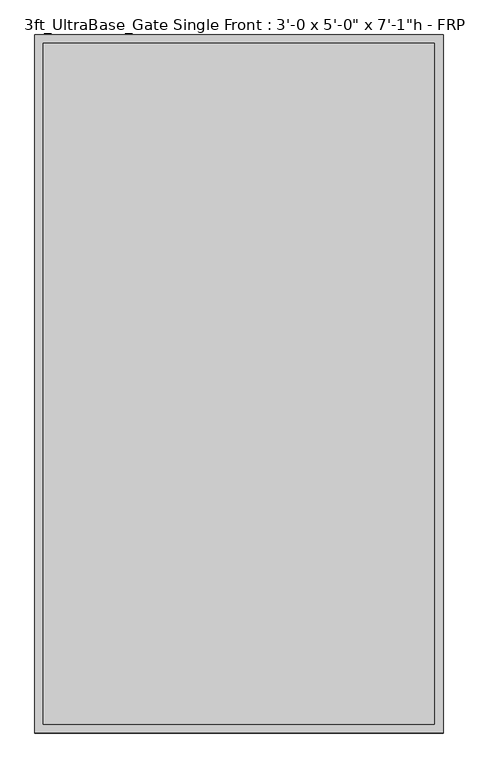
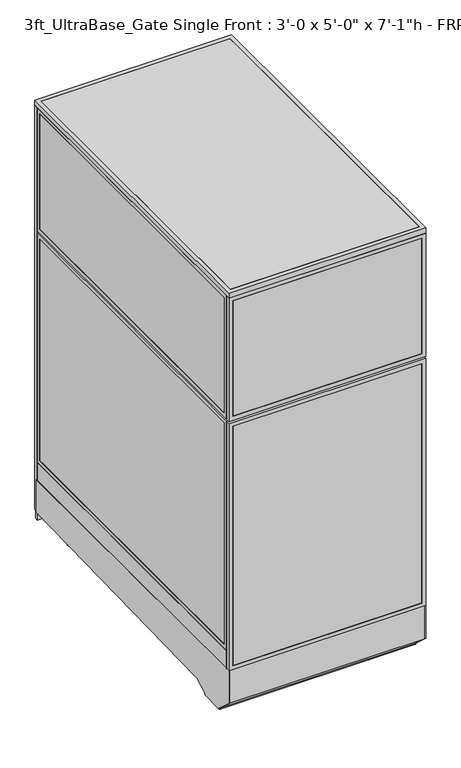
"""IFC4 building model written with IfcOpenShell, lengths in millimetres: proxy geometry."""

from ifc_helpers import new_model, si_unit, point, frame, frame_2d, origin, origin_with_axes, place, context, project, spatial, polyline, circle_curve, trimmed, segment, composite_curve, outline, extrude, source, transform, mapped, element, save


def proxy_ca9f2538(model_context):
    return source(origin(), model_context, "Body", "SweptSolid", [
        extrude(outline(composite_curve([segment(trimmed(circle_curve(frame_2d((121.1505315, 350.6380208)), 38.1), [point((83.0505315, 350.6380208))], [point((159.2505315, 350.6380208))], False, "CARTESIAN"), True, "CONTINUOUS"), segment(trimmed(circle_curve(frame_2d((121.1505315, 350.6380208)), 38.1), [point((159.2505315, 350.6380208))], [point((83.0505315, 350.6380208))], False, "CARTESIAN"), True, "CONTINUOUS")], self_intersect=False)), frame((0.0, 0.0, 103.9931848), z_axis=(0.0, 0.0, 1.0), x_axis=(1.0, 0.0, 0.0)), (0.0, 0.0, 1.0), 12.9784433),
        extrude(outline(composite_curve([segment(trimmed(circle_curve(frame_2d((121.1505315, 350.6380208)), 12.7), [point((108.4505315, 350.6380208))], [point((133.8505315, 350.6380208))], False, "CARTESIAN"), True, "CONTINUOUS"), segment(trimmed(circle_curve(frame_2d((121.1505315, 350.6380208)), 12.7), [point((133.8505315, 350.6380208))], [point((108.4505315, 350.6380208))], False, "CARTESIAN"), True, "CONTINUOUS")], self_intersect=False)), frame((0.0, 0.0, 6.35), z_axis=(0.0, 0.0, 1.0), x_axis=(1.0, 0.0, 0.0)), (0.0, 0.0, 1.0), 97.6431848),
        extrude(outline(composite_curve([segment(trimmed(circle_curve(frame_2d((121.1505315, 350.6380208)), 25.4), [point((95.7505315, 350.6380208))], [point((146.5505315, 350.6380208))], False, "CARTESIAN"), True, "CONTINUOUS"), segment(trimmed(circle_curve(frame_2d((121.1505315, 350.6380208)), 25.4), [point((146.5505315, 350.6380208))], [point((95.7505315, 350.6380208))], False, "CARTESIAN"), True, "CONTINUOUS")], self_intersect=False)), origin_with_axes(), (0.0, 0.0, 1.0), 6.35),
        extrude(outline(composite_curve([segment(trimmed(circle_curve(frame_2d((806.9505315, 350.6380208)), 38.1), [point((768.8505315, 350.6380208))], [point((845.0505315, 350.6380208))], False, "CARTESIAN"), True, "CONTINUOUS"), segment(trimmed(circle_curve(frame_2d((806.9505315, 350.6380208)), 38.1), [point((845.0505315, 350.6380208))], [point((768.8505315, 350.6380208))], False, "CARTESIAN"), True, "CONTINUOUS")], self_intersect=False)), frame((0.0, 0.0, 103.9931848), z_axis=(0.0, 0.0, 1.0), x_axis=(1.0, 0.0, 0.0)), (0.0, 0.0, 1.0), 12.9784433),
        extrude(outline(composite_curve([segment(trimmed(circle_curve(frame_2d((806.9505315, 350.6380208)), 12.7), [point((794.2505315, 350.6380208))], [point((819.6505315, 350.6380208))], False, "CARTESIAN"), True, "CONTINUOUS"), segment(trimmed(circle_curve(frame_2d((806.9505315, 350.6380208)), 12.7), [point((819.6505315, 350.6380208))], [point((794.2505315, 350.6380208))], False, "CARTESIAN"), True, "CONTINUOUS")], self_intersect=False)), frame((0.0, 0.0, 6.35), z_axis=(0.0, 0.0, 1.0), x_axis=(1.0, 0.0, 0.0)), (0.0, 0.0, 1.0), 97.6431848),
        extrude(outline(composite_curve([segment(trimmed(circle_curve(frame_2d((806.9505315, 350.6380208)), 25.4), [point((781.5505315, 350.6380208))], [point((832.3505315, 350.6380208))], False, "CARTESIAN"), True, "CONTINUOUS"), segment(trimmed(circle_curve(frame_2d((806.9505315, 350.6380208)), 25.4), [point((832.3505315, 350.6380208))], [point((781.5505315, 350.6380208))], False, "CARTESIAN"), True, "CONTINUOUS")], self_intersect=False)), origin_with_axes(), (0.0, 0.0, 1.0), 6.35),
        extrude(outline(composite_curve([segment(trimmed(circle_curve(frame_2d((120.4666548, 1441.532592)), 38.1), [point((82.3666548, 1441.532592))], [point((158.5666548, 1441.532592))], False, "CARTESIAN"), True, "CONTINUOUS"), segment(trimmed(circle_curve(frame_2d((120.4666548, 1441.532592)), 38.1), [point((158.5666548, 1441.532592))], [point((82.3666548, 1441.532592))], False, "CARTESIAN"), True, "CONTINUOUS")], self_intersect=False)), frame((0.0, 0.0, 135.7431848), z_axis=(0.0, 0.0, 1.0), x_axis=(1.0, 0.0, 0.0)), (0.0, 0.0, 1.0), 12.9784433),
        extrude(outline(composite_curve([segment(trimmed(circle_curve(frame_2d((120.4666548, 1441.532592)), 12.7), [point((107.7666548, 1441.532592))], [point((133.1666548, 1441.532592))], False, "CARTESIAN"), True, "CONTINUOUS"), segment(trimmed(circle_curve(frame_2d((120.4666548, 1441.532592)), 12.7), [point((133.1666548, 1441.532592))], [point((107.7666548, 1441.532592))], False, "CARTESIAN"), True, "CONTINUOUS")], self_intersect=False)), frame((0.0, 0.0, 6.35), z_axis=(0.0, 0.0, 1.0), x_axis=(1.0, 0.0, 0.0)), (0.0, 0.0, 1.0), 129.3931848),
        extrude(outline(composite_curve([segment(trimmed(circle_curve(frame_2d((120.4666548, 1441.532592)), 25.4), [point((95.0666548, 1441.532592))], [point((145.8666548, 1441.532592))], False, "CARTESIAN"), True, "CONTINUOUS"), segment(trimmed(circle_curve(frame_2d((120.4666548, 1441.532592)), 25.4), [point((145.8666548, 1441.532592))], [point((95.0666548, 1441.532592))], False, "CARTESIAN"), True, "CONTINUOUS")], self_intersect=False)), origin_with_axes(), (0.0, 0.0, 1.0), 6.35),
        extrude(outline(composite_curve([segment(trimmed(circle_curve(frame_2d((806.2666548, 1441.532592)), 38.1), [point((768.1666548, 1441.532592))], [point((844.3666548, 1441.532592))], False, "CARTESIAN"), True, "CONTINUOUS"), segment(trimmed(circle_curve(frame_2d((806.2666548, 1441.532592)), 38.1), [point((844.3666548, 1441.532592))], [point((768.1666548, 1441.532592))], False, "CARTESIAN"), True, "CONTINUOUS")], self_intersect=False)), frame((0.0, 0.0, 135.7431848), z_axis=(0.0, 0.0, 1.0), x_axis=(1.0, 0.0, 0.0)), (0.0, 0.0, 1.0), 12.9784433),
        extrude(outline(composite_curve([segment(trimmed(circle_curve(frame_2d((806.2666548, 1441.532592)), 12.7), [point((793.5666548, 1441.532592))], [point((818.9666548, 1441.532592))], False, "CARTESIAN"), True, "CONTINUOUS"), segment(trimmed(circle_curve(frame_2d((806.2666548, 1441.532592)), 12.7), [point((818.9666548, 1441.532592))], [point((793.5666548, 1441.532592))], False, "CARTESIAN"), True, "CONTINUOUS")], self_intersect=False)), frame((0.0, 0.0, 6.35), z_axis=(0.0, 0.0, 1.0), x_axis=(1.0, 0.0, 0.0)), (0.0, 0.0, 1.0), 129.3931848),
        extrude(outline(composite_curve([segment(trimmed(circle_curve(frame_2d((806.2666548, 1441.532592)), 25.4), [point((780.8666548, 1441.532592))], [point((831.6666548, 1441.532592))], False, "CARTESIAN"), True, "CONTINUOUS"), segment(trimmed(circle_curve(frame_2d((806.2666548, 1441.532592)), 25.4), [point((831.6666548, 1441.532592))], [point((780.8666548, 1441.532592))], False, "CARTESIAN"), True, "CONTINUOUS")], self_intersect=False)), origin_with_axes(), (0.0, 0.0, 1.0), 6.35),
        extrude(outline(polyline([(-19.05, 304.8), (1530.35, 304.8), (1530.35, 144.6534225), (238.733612, 113.4956461), (175.3928625, 76.9258473), (175.3928625, 69.0977369), (59.8970382, 69.0977369), (59.8970382, 73.3553835), (-19.05, 144.439616), (-19.05, 304.8)])), frame((0.0, 0.0, 0.0), z_axis=(1.0, 0.0, 0.0), x_axis=(0.0, 1.0, 0.0)), (0.0, 0.0, 1.0), 3.175),
        extrude(outline(polyline([(-19.05, 304.8), (1530.35, 304.8), (1530.35, 144.6534225), (238.733612, 113.4956461), (175.3928625, 76.9258473), (175.3928625, 69.0977369), (59.8970382, 69.0977369), (59.8970382, 73.3553835), (-19.05, 144.439616), (-19.05, 304.8)])), frame((911.225, 0.0, 0.0), z_axis=(1.0, 0.0, 0.0), x_axis=(0.0, 1.0, 0.0)), (0.0, 0.0, 1.0), 3.175),
        extrude(outline(polyline([(1530.35, 104.78262), (1530.35, 144.7169051), (238.733612, 113.4956461), (175.3928625, 76.9258473), (175.3928625, 69.0977369), (59.8970382, 69.0977369), (59.8970382, 73.3553835), (-19.05, 144.439616), (-19.05, 304.8), (-10.9434074, 304.8), (-10.9434074, 236.4996867), (-5.6766373, 236.4996867), (-2.6025146, 148.4683295), (68.18203, 84.7336392), (68.18203, 79.4164869), (167.804636, 79.4164869), (167.804636, 86.088281), (237.0845322, 126.0870477), (1543.05, 157.7730306), (1543.05, 104.78262), (1530.35, 104.78262)])), frame((3.175, 0.0, 0.0), z_axis=(1.0, 0.0, 0.0), x_axis=(0.0, 1.0, 0.0)), (0.0, 0.0, 1.0), 908.05),
        extrude(outline(polyline([(60.3189838, 1541.4625), (854.0810162, 1541.4625), (854.0810162, 1525.5875), (60.3189838, 1525.5875), (60.3189838, 1541.4625)])), frame((0.0, 0.0, 212.725), z_axis=(0.0, 0.0, 1.0), x_axis=(1.0, 0.0, 0.0)), (0.0, 0.0, 1.0), 1860.55),
        extrude(outline(polyline([(193.675, 41.2689838), (193.675, 873.1310162), (2092.325, 873.1310162), (2092.325, 41.2689838), (193.675, 41.2689838)]), holes=[polyline([(2073.275, 854.0810162), (212.725, 854.0810162), (212.725, 60.3189838), (2073.275, 60.3189838), (2073.275, 854.0810162)])]), frame((0.0, 1524.0, 0.0), z_axis=(0.0, 1.0, 0.0), x_axis=(0.0, 0.0, 1.0)), (0.0, 0.0, 1.0), 19.05),
        extrude(outline(polyline([(152.4, 0.0), (152.4, 914.4), (2133.6, 914.4), (2133.6, 0.0), (152.4, 0.0)]), holes=[polyline([(2114.55, 19.05), (2114.55, 895.35), (171.45, 895.35), (171.45, 19.05), (2114.55, 19.05)])]), frame((0.0, 1524.0, 0.0), z_axis=(0.0, 1.0, 0.0), x_axis=(0.0, 0.0, 1.0)), (0.0, 0.0, 1.0), 19.05),
        extrude(outline(polyline([(1519.2375, 914.4), (1519.2375, 0.0), (304.8, 0.0), (304.8, 914.4), (1519.2375, 914.4)]), holes=[polyline([(323.85, 895.35), (323.85, 19.05), (1500.1875, 19.05), (1500.1875, 895.35), (323.85, 895.35)])]), frame((0.0, -19.05, 0.0), z_axis=(0.0, 1.0, 0.0), x_axis=(0.0, 0.0, 1.0)), (0.0, 0.0, 1.0), 19.05),
        extrude(outline(polyline([(1528.7625, 914.4), (2133.6, 914.4), (2133.6, 0.0), (1528.7625, 0.0), (1528.7625, 914.4)]), holes=[polyline([(2114.55, 895.35), (1547.8125, 895.35), (1547.8125, 19.05), (2114.55, 19.05), (2114.55, 895.35)])]), frame((0.0, -19.05, 0.0), z_axis=(0.0, 1.0, 0.0), x_axis=(0.0, 0.0, 1.0)), (0.0, 0.0, 1.0), 19.05),
        extrude(outline(polyline([(895.35, -17.4625), (19.05, -17.4625), (19.05, -1.5875), (895.35, -1.5875), (895.35, -17.4625)])), frame((0.0, 0.0, 323.85), z_axis=(0.0, 0.0, 1.0), x_axis=(1.0, 0.0, 0.0)), (0.0, 0.0, 1.0), 1176.3375),
        extrude(outline(polyline([(895.35, -17.4625), (19.05, -17.4625), (19.05, -1.5875), (895.35, -1.5875), (895.35, -17.4625)])), frame((0.0, 0.0, 1547.8125), z_axis=(0.0, 0.0, 1.0), x_axis=(1.0, 0.0, 0.0)), (0.0, 0.0, 1.0), 566.7375),
        extrude(outline(polyline([(895.35, 0.0), (895.35, 1524.0), (914.4, 1524.0), (914.4, 0.0), (895.35, 0.0)])), frame((0.0, 0.0, 304.8), z_axis=(0.0, 0.0, 1.0), x_axis=(1.0, 0.0, 0.0)), (0.0, 0.0, 1.0), 88.9),
        extrude(outline(polyline([(1524.0, 393.7), (0.0, 393.7), (0.0, 1519.2375), (1524.0, 1519.2375), (1524.0, 393.7)]), holes=[polyline([(1504.95, 1500.1875), (19.05, 1500.1875), (19.05, 412.75), (1504.95, 412.75), (1504.95, 1500.1875)])]), frame((895.35, 0.0, 0.0), z_axis=(1.0, 0.0, 0.0), x_axis=(0.0, 1.0, 0.0)), (0.0, 0.0, 1.0), 19.05),
        extrude(outline(polyline([(0.0, 1528.7625), (0.0, 2133.6), (1524.0, 2133.6), (1524.0, 1528.7625), (0.0, 1528.7625)]), holes=[polyline([(19.05, 2114.55), (19.05, 1547.8125), (1504.95, 1547.8125), (1504.95, 2114.55), (19.05, 2114.55)])]), frame((895.35, 0.0, 0.0), z_axis=(1.0, 0.0, 0.0), x_axis=(0.0, 1.0, 0.0)), (0.0, 0.0, 1.0), 19.05),
        extrude(outline(polyline([(896.9375, 19.05), (896.9375, 1504.95), (912.8125, 1504.95), (912.8125, 19.05), (896.9375, 19.05)])), frame((0.0, 0.0, 412.75), z_axis=(0.0, 0.0, 1.0), x_axis=(1.0, 0.0, 0.0)), (0.0, 0.0, 1.0), 1087.4375),
        extrude(outline(polyline([(896.9375, 19.05), (896.9375, 1504.95), (912.8125, 1504.95), (912.8125, 19.05), (896.9375, 19.05)])), frame((0.0, 0.0, 1547.8125), z_axis=(0.0, 0.0, 1.0), x_axis=(1.0, 0.0, 0.0)), (0.0, 0.0, 1.0), 566.7375),
        extrude(outline(polyline([(0.0, 0.0), (0.0, 1524.0), (19.05, 1524.0), (19.05, 0.0), (0.0, 0.0)])), frame((0.0, 0.0, 304.8), z_axis=(0.0, 0.0, 1.0), x_axis=(1.0, 0.0, 0.0)), (0.0, 0.0, 1.0), 88.9),
        extrude(outline(polyline([(1524.0, 393.7), (0.0, 393.7), (0.0, 1519.2375), (1524.0, 1519.2375), (1524.0, 393.7)]), holes=[polyline([(1504.95, 1500.1875), (19.05, 1500.1875), (19.05, 412.75), (1504.95, 412.75), (1504.95, 1500.1875)])]), frame((0.0, 0.0, 0.0), z_axis=(1.0, 0.0, 0.0), x_axis=(0.0, 1.0, 0.0)), (0.0, 0.0, 1.0), 19.05),
        extrude(outline(polyline([(0.0, 1528.7625), (0.0, 2133.6), (1524.0, 2133.6), (1524.0, 1528.7625), (0.0, 1528.7625)]), holes=[polyline([(19.05, 2114.55), (19.05, 1547.8125), (1504.95, 1547.8125), (1504.95, 2114.55), (19.05, 2114.55)])]), frame((0.0, 0.0, 0.0), z_axis=(1.0, 0.0, 0.0), x_axis=(0.0, 1.0, 0.0)), (0.0, 0.0, 1.0), 19.05),
        extrude(outline(polyline([(1.5875, 19.05), (1.5875, 1504.95), (17.4625, 1504.95), (17.4625, 19.05), (1.5875, 19.05)])), frame((0.0, 0.0, 412.75), z_axis=(0.0, 0.0, 1.0), x_axis=(1.0, 0.0, 0.0)), (0.0, 0.0, 1.0), 1087.4375),
        extrude(outline(polyline([(1.5875, 19.05), (1.5875, 1504.95), (17.4625, 1504.95), (17.4625, 19.05), (1.5875, 19.05)])), frame((0.0, 0.0, 1547.8125), z_axis=(0.0, 0.0, 1.0), x_axis=(1.0, 0.0, 0.0)), (0.0, 0.0, 1.0), 566.7375),
        extrude(outline(polyline([(882.65, 622.3), (882.65, 609.6), (31.75, 609.6), (31.75, 622.3), (882.65, 622.3)])), frame((0.0, 0.0, 152.4), z_axis=(0.0, 0.0, 1.0), x_axis=(1.0, 0.0, 0.0)), (0.0, 0.0, 1.0), 152.4),
        extrude(outline(polyline([(882.65, 622.3), (882.65, 12.7), (31.75, 12.7), (31.75, 622.3), (882.65, 622.3)])), frame((0.0, 0.0, 304.8), z_axis=(0.0, 0.0, 1.0), x_axis=(1.0, 0.0, 0.0)), (0.0, 0.0, 1.0), 12.7),
        extrude(outline(polyline([(0.0, -19.05), (0.0, 1543.05), (914.4, 1543.05), (914.4, -19.05), (0.0, -19.05)]), holes=[polyline([(19.05, 0.0), (895.35, 0.0), (895.35, 1524.0), (19.05, 1524.0), (19.05, 0.0)])]), frame((0.0, 0.0, 2133.6), z_axis=(0.0, 0.0, 1.0), x_axis=(1.0, 0.0, 0.0)), (0.0, 0.0, 1.0), 25.4),
        extrude(outline(polyline([(895.35, 1524.0), (895.35, 0.0), (19.05, 0.0), (19.05, 1524.0), (895.35, 1524.0)])), frame((0.0, 0.0, 2133.6), z_axis=(0.0, 0.0, 1.0), x_axis=(1.0, 0.0, 0.0)), (0.0, 0.0, 1.0), 25.4),
    ])


if __name__ == "__main__":
    model = new_model("IFC4")
    model_context = context("Model", 3, world=origin())
    ifc_project = project(units=[si_unit("LENGTHUNIT", "METRE", prefix="MILLI")], contexts=[model_context])
    site = spatial("IfcSite", under=ifc_project)
    building = spatial("IfcBuilding", under=site)
    placement = place(None, origin())
    proxy_shape = proxy_ca9f2538(model_context)
    element("IfcBuildingElementProxy", 1, Name="3ft_UltraBase_Gate Single Front : 3'-0 x 5'-0\" x 7'-1\"h - FRP", ObjectType="3ft_UltraBase_Gate Single Front : 3'-0 x 5'-0\" x 7'-1\"h - FRP", at=placement, inside=building, context=model_context, shape_type="MappedRepresentation", body=[
        mapped(proxy_shape, transform((0.0, 0.0, 0.0), x_axis=(1.0, 0.0, 0.0), y_axis=(0.0, 1.0, 0.0), z_axis=(0.0, 0.0, 1.0))),
    ])
    save(model, "model.ifc")
